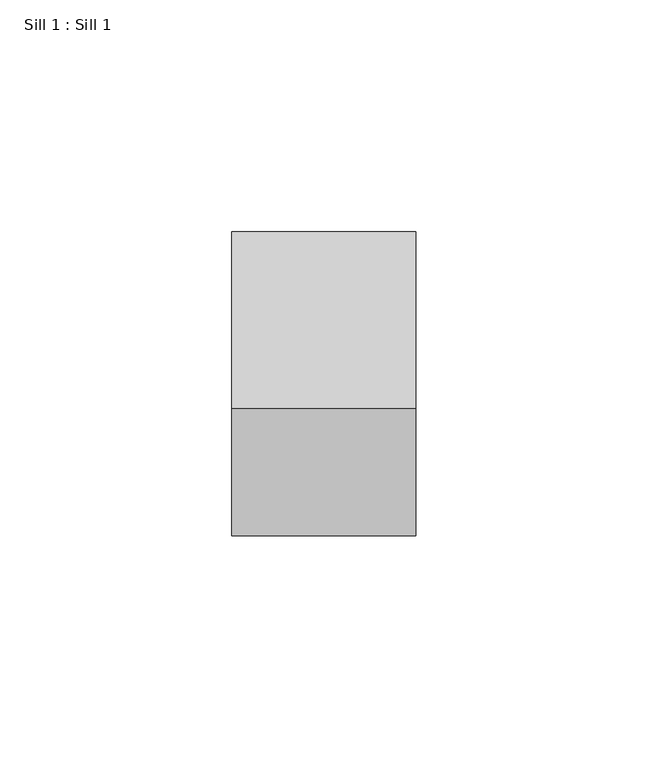
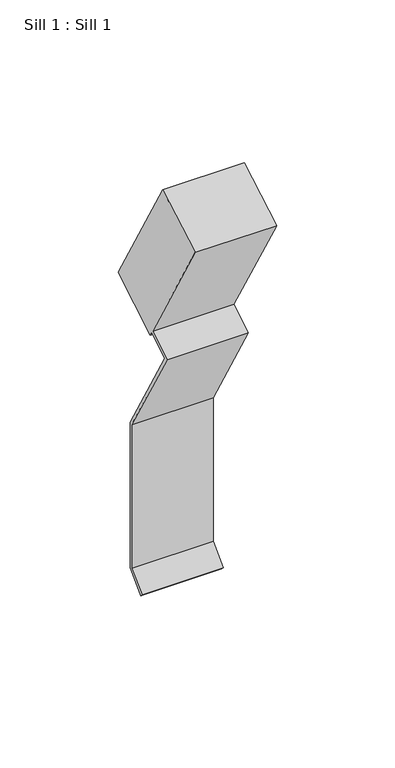
"""IFC4 building model written with IfcOpenShell, lengths in millimetres: proxy geometry, Sill 1 : Sill 1."""

from ifc_helpers import new_model, si_unit, frame, origin, place, context, project, spatial, polyline, outline, extrude, source, transform, mapped, element, save


def sill_1_sill_1_649b32d0(model_context):
    return source(origin(), model_context, "Body", "SweptSolid", [
        extrude(outline(polyline([(-13651.9207902, 537.0246583), (-13679.4170967, 521.1496583), (-13680.5600967, 523.1293924), (-13691.5586194, 516.7793924), (-13662.1331978, 465.8130672), (-13662.1331978, 390.5601509), (-13671.113454, 381.5798948), (-13672.235986, 382.7024268), (-13663.7206978, 391.2177149), (-13663.7206978, 465.4130979), (-13693.7161862, 517.3668077), (-13681.3538467, 524.5042077), (-13717.5170967, 587.140794), (-13690.0207902, 603.015794), (-13651.9207902, 537.0246583)])), frame((11997.4768877, 0.0, 0.0), z_axis=(1.0, 0.0, 0.0), x_axis=(0.0, 1.0, 0.0)), (0.0, 0.0, 1.0), 39.6821609),
    ])


if __name__ == "__main__":
    model = new_model("IFC4")
    model_context = context("Model", 3, world=origin())
    ifc_project = project(units=[si_unit("LENGTHUNIT", "METRE", prefix="MILLI")], contexts=[model_context])
    site = spatial("IfcSite", under=ifc_project)
    building = spatial("IfcBuilding", under=site)
    placement = place(None, origin())
    sill_1_sill_1_shape = sill_1_sill_1_649b32d0(model_context)
    element("IfcBuildingElementProxy", 1, Name="Sill 1 : Sill 1", ObjectType="Sill 1 : Sill 1", at=placement, inside=building, context=model_context, shape_type="MappedRepresentation", body=[
        mapped(sill_1_sill_1_shape, transform((0.0, 0.0, 0.0), x_axis=(1.0, 0.0, 0.0), y_axis=(0.0, 1.0, 0.0), z_axis=(0.0, 0.0, 1.0))),
    ])
    save(model, "model.ifc")
